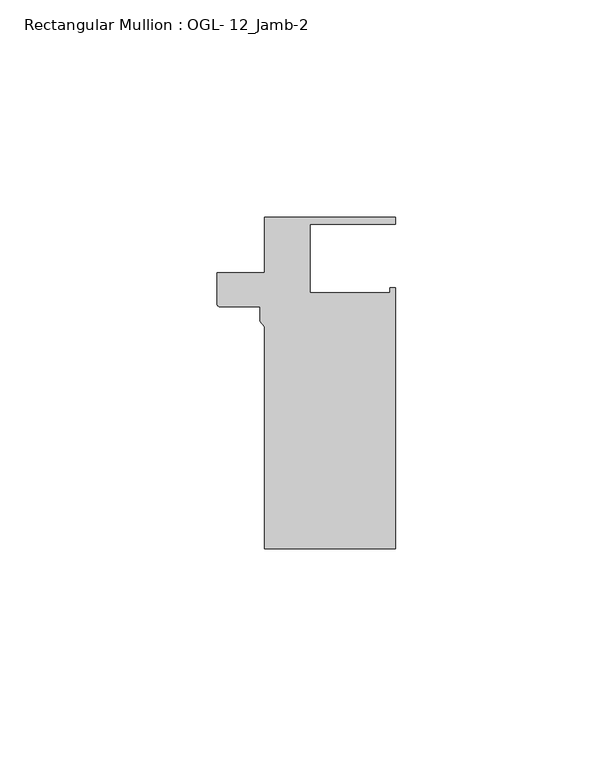
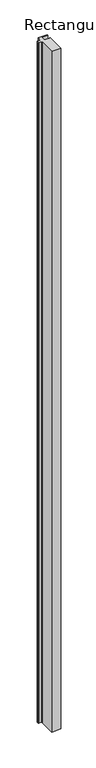
"""IFC4 building model written with IfcOpenShell, lengths in millimetres: member geometry, Rectangular Mullion : OGL- 12_Jamb-2."""

from ifc_helpers import new_model, si_unit, point, frame, frame_2d, origin, place, context, project, spatial, polyline, circle_curve, trimmed, segment, composite_curve, outline, extrude, source, transform, mapped, element, save


def rectangular_mullion_ogl_12_jamb_2_f6500542(model_context):
    return source(origin(), model_context, "Body", "SweptSolid", [
        extrude(outline(composite_curve([segment(polyline([(8.42e-05, 25.4), (8.42e-05, 38.100016), (30.1498825, 38.100016), (30.1498825, 36.512516), (10.4970964, 36.512516), (10.4970964, 20.8257348), (28.9030475, 20.8257348), (28.9030475, 21.9710976), (30.1589768, 21.9710976), (30.1589768, -38.0996792), (0.0, -38.0996792), (0.0, 12.9738568), (-0.9248338, 14.2467814), (-0.9248338, 17.5955253), (-10.2698387, 17.5955253)]), True, "CONTINUOUS"), segment(trimmed(circle_curve(frame_2d((-10.2698387, 18.1560373)), 0.560512), [point((-10.2698387, 17.5955253))], [point((-10.8303507, 18.1560373))], False, "CARTESIAN"), True, "CONTINUOUS"), segment(polyline([(-10.8303507, 18.1560373), (-10.8303507, 25.4), (8.42e-05, 25.4)]), True, "CONTINUOUS")], self_intersect=False)), frame((0.0, 0.0, -2375.1856086), z_axis=(0.0, 0.0, 1.0), x_axis=(1.0, 0.0, 0.0)), (0.0, 0.0, 1.0), 2375.1856086),
    ])


if __name__ == "__main__":
    model = new_model("IFC4")
    model_context = context("Model", 3, world=origin())
    ifc_project = project(units=[si_unit("LENGTHUNIT", "METRE", prefix="MILLI")], contexts=[model_context])
    site = spatial("IfcSite", under=ifc_project)
    building = spatial("IfcBuilding", under=site)
    placement = place(None, origin())
    rectangular_mullion_ogl_12_jamb_2_shape = rectangular_mullion_ogl_12_jamb_2_f6500542(model_context)
    element("IfcMember", 1, ObjectType="Rectangular Mullion : OGL- 12_Jamb-2", at=placement, inside=building, context=model_context, shape_type="MappedRepresentation", body=[
        mapped(rectangular_mullion_ogl_12_jamb_2_shape, transform((0.0, 0.0, 0.0), x_axis=(1.0, 0.0, 0.0), y_axis=(0.0, 1.0, 0.0), z_axis=(0.0, 0.0, 1.0))),
    ])
    save(model, "model.ifc")
